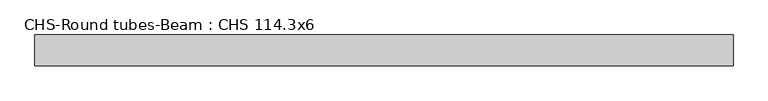
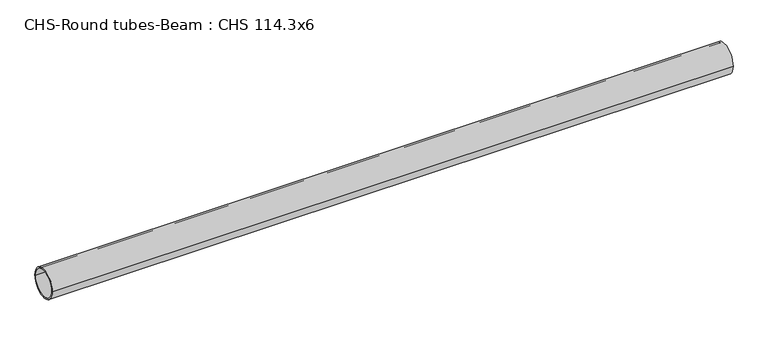
"""IFC4 building model written with IfcOpenShell, lengths in millimetres: beam geometry, CHS-Round tubes-Beam : CHS 114.3x6."""

from ifc_helpers import new_model, si_unit, point, frame, origin, origin_2d, place, context, project, spatial, circle_curve, trimmed, segment, composite_curve, outline, extrude, source, transform, mapped, element, save


def chs_round_tubes_beam_chs_114_3x6_d40474f5(model_context):
    return source(origin(), model_context, "Body", "SweptSolid", [
        extrude(outline(composite_curve([segment(trimmed(circle_curve(origin_2d(), 57.15), [point((57.15, 0.0))], [point((-57.15, 0.0))], False, "CARTESIAN"), True, "CONTINUOUS"), segment(trimmed(circle_curve(origin_2d(), 57.15), [point((-57.15, 0.0))], [point((57.15, 0.0))], False, "CARTESIAN"), True, "CONTINUOUS")], self_intersect=False), holes=[composite_curve([segment(trimmed(circle_curve(origin_2d(), 51.15), [point((51.15, 0.0))], [point((-51.15, 0.0))], True, "CARTESIAN"), True, "CONTINUOUS"), segment(trimmed(circle_curve(origin_2d(), 51.15), [point((-51.15, 0.0))], [point((51.15, 0.0))], True, "CARTESIAN"), True, "CONTINUOUS")], self_intersect=False)]), frame((-1291.1806769, 0.0, 0.0), z_axis=(1.0, 0.0, 0.0), x_axis=(0.0, 1.0, 0.0)), (0.0, 0.0, 1.0), 2593.965026),
    ])


if __name__ == "__main__":
    model = new_model("IFC4")
    model_context = context("Model", 3, world=origin())
    ifc_project = project(units=[si_unit("LENGTHUNIT", "METRE", prefix="MILLI")], contexts=[model_context])
    site = spatial("IfcSite", under=ifc_project)
    building = spatial("IfcBuilding", under=site)
    placement = place(None, origin())
    chs_round_tubes_beam_chs_114_3x6_shape = chs_round_tubes_beam_chs_114_3x6_d40474f5(model_context)
    element("IfcBeam", 1, ObjectType="CHS-Round tubes-Beam : CHS 114.3x6", at=placement, inside=building, context=model_context, shape_type="MappedRepresentation", body=[
        mapped(chs_round_tubes_beam_chs_114_3x6_shape, transform((0.0, 0.0, 0.0), x_axis=(1.0, 0.0, 0.0), y_axis=(0.0, 1.0, 0.0), z_axis=(0.0, 0.0, 1.0))),
    ])
    save(model, "model.ifc")
